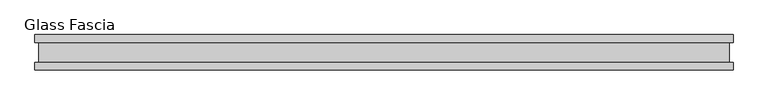
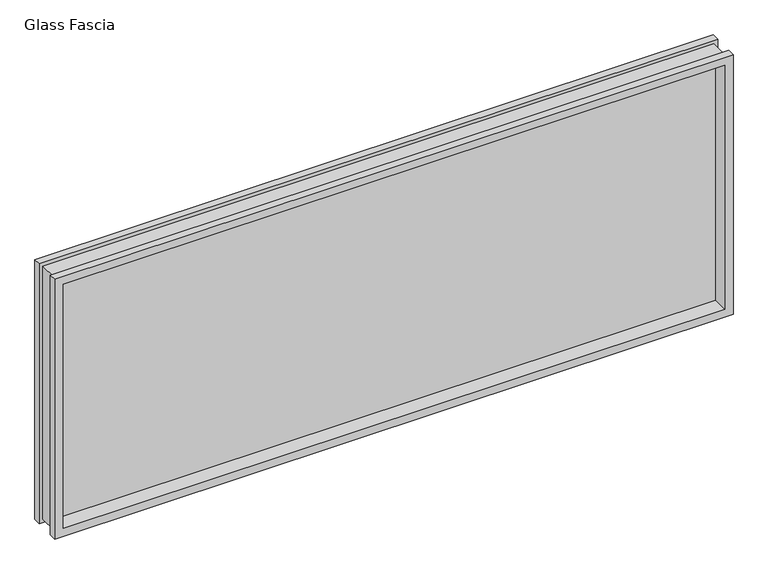
"""IFC4 building model written with IfcOpenShell, lengths in millimetres: proxy geometry, Glass Fascia."""

import ifcopenshell
import ifcopenshell.guid

model = None  # the IFC model being written
_history = None  # IfcOwnerHistory: only IFC2X3 demands one
_inside = {}  # id of a spatial element -> (the spatial element, [elements in it])
_under = {}  # id of a project, library or spatial element -> (it, [spatial elements below it])
_declared = {}  # id of a project -> (the project, [libraries it declares])
_typed = {}  # id of a type object -> (the type object, [elements of that type])
_made_of = {}  # id of a material, layer set ... -> (it, [elements and type objects made of it])


def new_model(schema):
    """Start an empty IFC model of exactly this schema.

    Asked for "IFC4X3", IfcOpenShell would pick the latest addendum, in which some entities
    have other attributes; the version numbers below select the first issue.
    IFC2X3 requires an IfcOwnerHistory on every rooted entity: one is made here for all.
    """
    global model, _history
    if schema == "IFC4X3":
        model = ifcopenshell.file(schema_version=(4, 3, 0, 0))
    else:
        model = ifcopenshell.file(schema=schema)
    _inside.clear()
    _under.clear()
    _declared.clear()
    _typed.clear()
    _made_of.clear()
    _history = None
    if model.schema == "IFC2X3":
        org = make("IfcOrganization", Name="unknown")
        user = make(
            "IfcPersonAndOrganization",
            ThePerson=make("IfcPerson", FamilyName="unknown"),
            TheOrganization=org,
        )
        app = make(
            "IfcApplication",
            ApplicationDeveloper=org,
            Version="unknown",
            ApplicationFullName="unknown",
            ApplicationIdentifier="unknown",
        )
        _history = make(
            "IfcOwnerHistory",
            OwningUser=user,
            OwningApplication=app,
            ChangeAction="ADDED",
            CreationDate=0,
        )
    return model


def make(cls, **values):
    """One entity of the class cls with the attributes given. An attribute that is None is left unset."""
    return model.create_entity(
        cls, **{name: value for name, value in values.items() if value is not None}
    )


def rooted(cls, **values):
    """An entity with a GlobalId (a new one), such as an element, a storey or a relation."""
    return make(cls, GlobalId=ifcopenshell.guid.new(), OwnerHistory=_history, **values)


def si_unit(unit_type, name, prefix=None):
    """IfcSIUnit, for example si_unit("LENGTHUNIT", "METRE", prefix="MILLI")."""
    return make("IfcSIUnit", UnitType=unit_type, Prefix=prefix, Name=name)


def assignment(units):
    """IfcUnitAssignment: the units of a project."""
    return None if units is None else make("IfcUnitAssignment", Units=units)


def point(xyz):
    """IfcCartesianPoint."""
    return None if xyz is None else make("IfcCartesianPoint", Coordinates=xyz)


def direction(xyz):
    """IfcDirection."""
    return None if xyz is None else make("IfcDirection", DirectionRatios=xyz)


def frame(location, z_axis=None, x_axis=None):
    """IfcAxis2Placement3D, a coordinate frame: its origin and axes. An axis left out is left unset."""
    return make(
        "IfcAxis2Placement3D",
        Location=point(location),
        Axis=direction(z_axis),
        RefDirection=direction(x_axis),
    )


def origin():
    """The frame at (0, 0, 0) with its axes left unset."""
    return frame((0.0, 0.0, 0.0))


def place(relative_to, where):
    """IfcLocalPlacement: puts the frame where relative to a parent placement (None: the world)."""
    return make(
        "IfcLocalPlacement", PlacementRelTo=relative_to, RelativePlacement=where
    )


def context(
    kind, dimensions, precision=None, world=None, true_north=None, identifier=None
):
    """IfcGeometricRepresentationContext, for example the 3D "Model" context."""
    return make(
        "IfcGeometricRepresentationContext",
        ContextIdentifier=identifier,
        ContextType=kind,
        CoordinateSpaceDimension=dimensions,
        Precision=precision,
        WorldCoordinateSystem=world,
        TrueNorth=true_north,
    )


def project(units=None, contexts=None):
    """IfcProject with its units and contexts."""
    return rooted(
        "IfcProject",
        Name="project",
        RepresentationContexts=contexts,
        UnitsInContext=assignment(units),
    )


def spatial(cls, under=None, at=None, **own):
    """A site, building, storey or space (cls), placed at a placement, below another one or the project."""
    s = rooted(cls, ObjectPlacement=at, **own)
    if under is not None:
        _under.setdefault(under.id(), (under, []))[1].append(s)
    return s


def polyline(points):
    """IfcPolyline through the points."""
    return make("IfcPolyline", Points=[point(p) for p in points])


def outline(outer, holes=None, kind="AREA"):
    """IfcArbitraryClosedProfileDef: a profile drawn as a closed curve; with holes, ...WithVoids."""
    if holes is None:
        return make("IfcArbitraryClosedProfileDef", ProfileType=kind, OuterCurve=outer)
    return make(
        "IfcArbitraryProfileDefWithVoids",
        ProfileType=kind,
        OuterCurve=outer,
        InnerCurves=holes,
    )


def extrude(swept, where, along, depth):
    """IfcExtrudedAreaSolid: the profile swept, set in the frame where, extruded along a direction by depth."""
    return make(
        "IfcExtrudedAreaSolid",
        SweptArea=swept,
        Position=where,
        ExtrudedDirection=direction(along),
        Depth=depth,
    )


def faces_of(points, faces, orient=None, outer=None):
    """IfcFace entities. A face is a list of loops; a loop is a list of indices into points, from 0.

    orient and outer hold one flag for each loop. By default every Orientation is true, the
    first loop of a face is its IfcFaceOuterBound and the others are IfcFaceBound.
    """
    made = []
    for i, loops in enumerate(faces):
        bounds = []
        for j, loop in enumerate(loops):
            is_outer = j == 0 if outer is None else outer[i][j]
            bounds.append(
                make(
                    "IfcFaceOuterBound" if is_outer else "IfcFaceBound",
                    Bound=make("IfcPolyLoop", Polygon=[points[k] for k in loop]),
                    Orientation=True if orient is None else orient[i][j],
                )
            )
        made.append(make("IfcFace", Bounds=bounds))
    return made


def faceted_brep(points, faces, orient=None, outer=None, voids=None):
    """IfcFacetedBrep: a solid bounded by flat faces; with voids (closed shells), ...WithVoids."""
    shared = [point(p) for p in points]
    hull = make("IfcClosedShell", CfsFaces=faces_of(shared, faces, orient, outer))
    if voids is None:
        return make("IfcFacetedBrep", Outer=hull)
    return make(
        "IfcFacetedBrepWithVoids",
        Outer=hull,
        Voids=[
            make(cls, CfsFaces=faces_of(shared, fs, o, b)) for cls, fs, o, b in voids
        ],
    )


def shape(context_of_items, identifier, shape_type, items):
    """IfcShapeRepresentation: the items that make up one representation, for example the "Body"."""
    return make(
        "IfcShapeRepresentation",
        ContextOfItems=context_of_items,
        RepresentationIdentifier=identifier,
        RepresentationType=shape_type,
        Items=items,
    )


def source(mapping_origin, context_of_items, identifier, shape_type, items):
    """IfcRepresentationMap: a shape defined once, which mapped items show again and again."""
    return make(
        "IfcRepresentationMap",
        MappingOrigin=mapping_origin,
        MappedRepresentation=shape(context_of_items, identifier, shape_type, items),
    )


def transform(
    local_origin,
    x_axis=None,
    y_axis=None,
    z_axis=None,
    scale=None,
    scale2=None,
    scale3=None,
    uniform=True,
):
    """IfcCartesianTransformationOperator3D, or its non-uniform kind. x_axis, y_axis, z_axis: its Axis1, 2, 3."""
    if uniform:
        return make(
            "IfcCartesianTransformationOperator3D",
            Axis1=direction(x_axis),
            Axis2=direction(y_axis),
            LocalOrigin=point(local_origin),
            Scale=scale,
            Axis3=direction(z_axis),
        )
    return make(
        "IfcCartesianTransformationOperator3DnonUniform",
        Axis1=direction(x_axis),
        Axis2=direction(y_axis),
        LocalOrigin=point(local_origin),
        Scale=scale,
        Axis3=direction(z_axis),
        Scale2=scale2,
        Scale3=scale3,
    )


def mapped(mapping_source, mapping_target):
    """IfcMappedItem: shows the shape of a source again, moved by a transform."""
    return make(
        "IfcMappedItem", MappingSource=mapping_source, MappingTarget=mapping_target
    )


def made_of(thing, what):
    """Note that an element or type object is made of a material, layer set ...; save() writes the relation."""
    if what is not None:
        _made_of.setdefault(what.id(), (what, []))[1].append(thing)
    return thing


def element(
    cls,
    number,
    at=None,
    inside=None,
    cuts=None,
    type_object=None,
    material=None,
    context=None,
    identifier="Body",
    shape_type=None,
    held_by="IfcProductDefinitionShape",
    body=None,
    shapes=None,
    **own,
):
    """One element of the class cls, such as IfcWall. Its Tag is "e" and its number.

    at: its placement. inside: the storey or other place that contains it. cuts: it is an
    opening in that element (IfcRelVoidsElement). A single representation is given by context,
    identifier, shape_type and body (its items); several are given by shapes. held_by: the class
    of the entity that holds the representations. save() writes the other relations.
    """
    e = rooted(cls, Tag="e%d" % number, ObjectPlacement=at, **own)
    if body is not None:
        shapes = [shape(context, identifier, shape_type, body)]
    if shapes is not None:
        e.Representation = make(held_by, Representations=shapes)
    if inside is not None:
        _inside.setdefault(inside.id(), (inside, []))[1].append(e)
    if cuts is not None:
        rooted(
            "IfcRelVoidsElement", RelatingBuildingElement=cuts, RelatedOpeningElement=e
        )
    if type_object is not None:
        _typed.setdefault(type_object.id(), (type_object, []))[1].append(e)
    return made_of(e, material)


def aggregate(whole, parts):
    """IfcRelAggregates: a whole, such as a stair, and the parts it consists of."""
    return rooted("IfcRelAggregates", RelatingObject=whole, RelatedObjects=parts)


def save(model, path):
    """Write the relations noted so far, then the file.

    IfcRelAggregates (storeys below a building ...), IfcRelContainedInSpatialStructure (elements
    in a storey), IfcRelDefinesByType, IfcRelAssociatesMaterial and IfcRelDeclares: one each for
    every whole, place, type object, material and project.
    """
    for whole, parts in _under.values():
        aggregate(whole, parts)
    for where, things in _inside.values():
        rooted(
            "IfcRelContainedInSpatialStructure",
            RelatedElements=things,
            RelatingStructure=where,
        )
    for kind, things in _typed.values():
        rooted("IfcRelDefinesByType", RelatedObjects=things, RelatingType=kind)
    for what, things in _made_of.values():
        rooted("IfcRelAssociatesMaterial", RelatedObjects=things, RelatingMaterial=what)
    for by, libraries in _declared.values():
        rooted("IfcRelDeclares", RelatingContext=by, RelatedDefinitions=libraries)
    model.write(path)


def glass_fascia_92d9bb8b(model_context):
    return source(origin(), model_context, "Body", "SolidModel", [
        faceted_brep([(978.7046, -5.0827449, 793.1305243), (978.7046, 5.0827449, 793.1305243), (978.7046, 5.0827449, 17.6374757), (978.7046, -5.0827449, 17.6374757), (993.1670757, -28.8801202, 807.593), (993.1670757, -50.0558594, 807.593), (993.1670757, -50.0558594, 3.175), (993.1670757, -28.8801202, 3.175), (982.3420758, 28.2698798, 796.7680001), (982.3420758, -28.8801202, 796.7680001), (982.3420758, -28.8801202, 13.9999999), (982.3420758, 28.2698798, 13.9999999), (993.1670757, 50.0558594, 807.593), (993.1670757, 28.2698798, 807.593), (993.1670757, 28.2698798, 3.175), (993.1670757, 50.0558594, 3.175), (-978.7046, 5.0827449, 17.6374757), (-978.7046, -5.0827449, 17.6374757), (-993.1670757, -50.0558594, 3.175), (-993.1670757, -28.8801202, 3.175), (-982.3420758, -28.8801202, 13.9999999), (-982.3420758, 28.2698798, 13.9999999), (-993.1670757, 28.2698798, 3.175), (-993.1670757, 50.0558594, 3.175), (-978.7046, 5.0827449, 793.1305243), (-978.7046, -5.0827449, 793.1305243), (-993.1670757, -50.0558594, 807.593), (-993.1670757, -28.8801202, 807.593), (-982.3420758, -28.8801202, 796.7680001), (-982.3420758, 28.2698798, 796.7680001), (-993.1670757, 28.2698798, 807.593), (-993.1670757, 50.0558594, 807.593), (968.2144089, 50.0558594, 782.6403332), (-968.2144089, 50.0558594, 782.6403332), (-968.2144089, 50.0558594, 28.1276668), (968.2144089, 50.0558594, 28.1276668), (968.2144089, 5.0827449, 28.1276668), (-968.2144089, 5.0827449, 28.1276668), (-968.2144089, 5.0827449, 782.6403332), (968.2144089, 5.0827449, 782.6403332), (968.2144089, -5.0827449, 782.6403332), (-968.2144089, -5.0827449, 782.6403332), (-968.2144089, -5.0827449, 28.1276668), (968.2144089, -5.0827449, 28.1276668), (968.2144089, -50.0558594, 28.1276668), (-968.2144089, -50.0558594, 28.1276668), (-968.2144089, -50.0558594, 782.6403332), (968.2144089, -50.0558594, 782.6403332)], [[[0, 1, 2, 3]], [[4, 5, 6, 7]], [[8, 9, 10, 11]], [[12, 13, 14, 15]], [[3, 2, 16, 17]], [[7, 6, 18, 19]], [[11, 10, 20, 21]], [[15, 14, 22, 23]], [[17, 16, 24, 25]], [[19, 18, 26, 27]], [[21, 20, 28, 29]], [[23, 22, 30, 31]], [[15, 23, 31, 12], [32, 33, 34, 35]], [[1, 24, 16, 2], [36, 37, 38, 39]], [[25, 24, 1, 0]], [[3, 17, 25, 0], [40, 41, 42, 43]], [[5, 26, 18, 6], [44, 45, 46, 47]], [[27, 26, 5, 4]], [[7, 19, 27, 4], [9, 28, 20, 10]], [[29, 28, 9, 8]], [[13, 30, 22, 14], [11, 21, 29, 8]], [[31, 30, 13, 12]], [[39, 32, 35, 36]], [[47, 40, 43, 44]], [[36, 35, 34, 37]], [[44, 43, 42, 45]], [[37, 34, 33, 38]], [[45, 42, 41, 46]], [[38, 33, 32, 39]], [[46, 41, 40, 47]]]),
        extrude(outline(polyline([(978.7046, 2.9765625), (978.7046, -2.9765625), (-978.7046, -2.9765625), (-978.7046, 2.9765625), (978.7046, 2.9765625)])), frame((0.0, 0.0, 17.6374757), z_axis=(0.0, 0.0, 1.0), x_axis=(1.0, 0.0, 0.0)), (0.0, 0.0, 1.0), 775.4930485),
    ])


if __name__ == "__main__":
    model = new_model("IFC4")
    model_context = context("Model", 3, world=origin())
    ifc_project = project(units=[si_unit("LENGTHUNIT", "METRE", prefix="MILLI")], contexts=[model_context])
    site = spatial("IfcSite", under=ifc_project)
    building = spatial("IfcBuilding", under=site)
    placement = place(None, origin())
    glass_fascia_shape = glass_fascia_92d9bb8b(model_context)
    element("IfcBuildingElementProxy", 1, Name="Glass Fascia", ObjectType="Glass Fascia", at=placement, inside=building, context=model_context, shape_type="MappedRepresentation", body=[
        mapped(glass_fascia_shape, transform((0.0, 0.0, 0.0), x_axis=(1.0, 0.0, 0.0), y_axis=(0.0, 1.0, 0.0), z_axis=(0.0, 0.0, 1.0))),
    ])
    save(model, "model.ifc")
